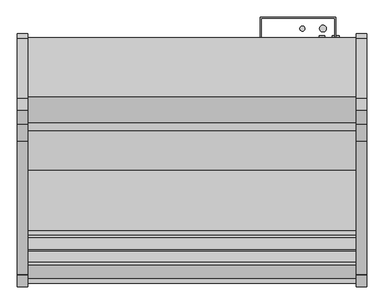
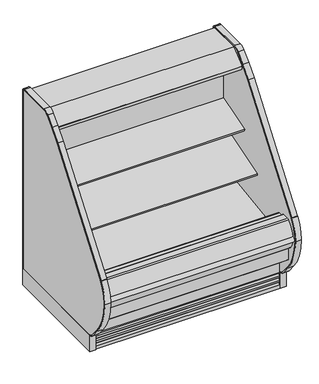
"""IFC4 building model written with IfcOpenShell, lengths in millimetres: proxy geometry."""

from ifc_helpers import new_model, si_unit, point, frame, frame_2d, origin, origin_with_axes, place, context, project, spatial, polyline, circle_curve, trimmed, segment, composite_curve, outline, extrude, source, transform, mapped, element, save
from ifc_brep_helpers import plane_surface, cylinder_surface, revolved_surface, advanced_brep


def mechanical_equipment_59358e2c(model_context):
    return source(origin(), model_context, "Body", "SolidModel", [
        extrude(outline(composite_curve([segment(polyline([(-514.5184043, 1280.7980838), (-504.8108903, 1283.7963787), (-504.5441858, 1282.9328752), (-503.4770145, 1282.9328752), (-503.4770145, 1189.1685435), (-528.7722287, 1185.6157473)]), True, "CONTINUOUS"), segment(trimmed(circle_curve(frame_2d((-528.9121117, 1187.1894225)), 1.57988), [point((-528.7722287, 1185.6157473))], [point((-530.4766164, 1186.9695457))], False, "CARTESIAN"), True, "CONTINUOUS"), segment(polyline([(-530.4766164, 1186.9695457), (-531.3614261, 1193.2652938), (-530.5766584, 1193.3755857), (-529.5822638, 1186.3001005), (-506.0015054, 1189.61416), (-520.0975442, 1289.912687), (-542.8581255, 1286.8903314)]), True, "CONTINUOUS"), segment(trimmed(circle_curve(frame_2d((-542.7544773, 1286.109783)), 0.7874), [point((-542.8581255, 1286.8903314))], [point((-543.5350257, 1286.0061347))], True, "CARTESIAN"), True, "CONTINUOUS"), segment(polyline([(-543.5350257, 1286.0061347), (-542.5119167, 1278.3013646), (-543.2924653, 1278.1977184), (-544.3155741, 1285.9024865)]), True, "CONTINUOUS"), segment(trimmed(circle_curve(frame_2d((-542.7544773, 1286.109783)), 1.5748), [point((-544.3155741, 1285.9024865))], [point((-542.9617738, 1287.6708798))], False, "CARTESIAN"), True, "CONTINUOUS"), segment(polyline([(-542.9617738, 1287.6708798), (-518.9973626, 1290.8530909)]), True, "CONTINUOUS"), segment(trimmed(circle_curve(frame_2d((-518.7900661, 1289.2919941)), 1.5748), [point((-518.9973626, 1290.8530909))], [point((-517.2854014, 1289.7567298))], False, "CARTESIAN"), True, "CONTINUOUS"), segment(polyline([(-517.2854014, 1289.7567298), (-514.5184043, 1280.7980838)]), True, "CONTINUOUS")], self_intersect=False)), frame((0.0, 0.0, 0.0), z_axis=(1.0, 0.0, 0.0), x_axis=(0.0, 1.0, 0.0)), (0.0, 0.0, 1.0), 1219.2),
        extrude(outline(polyline([(-401.5089273, 1362.075), (-401.5089273, 1315.6470648), (-452.3089273, 1315.6470648), (-452.3089273, 1282.9328752), (-504.5441858, 1282.9328752), (-506.6234348, 1289.6648143), (-511.417881, 1288.1839857), (-535.4879211, 1316.8695425), (-642.2562389, 1316.8695425), (-643.0944389, 1316.0313425), (-643.0944389, 1304.9061425), (-643.6525285, 1303.7273324), (-688.2903714, 1267.1513324), (-689.2562818, 1266.8061425), (-700.752905, 1266.8061425), (-700.752905, 1264.8743669), (-715.8669232, 1264.8743669), (-715.8669232, 1283.1433169), (-715.2737617, 1284.3869059), (-619.3369552, 1362.075), (-401.5089273, 1362.075)])), frame((0.0, 0.0, 0.0), z_axis=(1.0, 0.0, 0.0), x_axis=(0.0, 1.0, 0.0)), (0.0, 0.0, 1.0), 1219.2),
        extrude(outline(composite_curve([segment(polyline([(-506.0015054, 1189.61416), (-529.5822638, 1186.3001005), (-530.5766584, 1193.3755857), (-542.5070926, 1278.2650359), (-543.5350257, 1286.0061347)]), True, "CONTINUOUS"), segment(trimmed(circle_curve(frame_2d((-542.7544773, 1286.109783)), 0.7874), [point((-543.5350257, 1286.0061347))], [point((-542.8581255, 1286.8903314))], False, "CARTESIAN"), True, "CONTINUOUS"), segment(polyline([(-542.8581255, 1286.8903314), (-520.0975442, 1289.912687), (-506.0015054, 1189.61416)]), True, "CONTINUOUS")], self_intersect=False)), frame((0.0, 0.0, 0.0), z_axis=(1.0, 0.0, 0.0), x_axis=(0.0, 1.0, 0.0)), (0.0, 0.0, 1.0), 1219.2),
        extrude(outline(composite_curve([segment(trimmed(circle_curve(frame_2d((-586.8315353, 1290.8268376)), 14.2875), [point((-601.1190353, 1290.8268376))], [point((-572.5440353, 1290.8268376))], False, "CARTESIAN"), True, "CONTINUOUS"), segment(trimmed(circle_curve(frame_2d((-586.8315353, 1290.8268376)), 14.2875), [point((-572.5440353, 1290.8268376))], [point((-601.1190353, 1290.8268376))], False, "CARTESIAN"), True, "CONTINUOUS")], self_intersect=False)), frame((0.0, 0.0, 0.0), z_axis=(1.0, 0.0, 0.0), x_axis=(0.0, 1.0, 0.0)), (0.0, 0.0, 1.0), 1219.2),
        extrude(outline(composite_curve([segment(trimmed(circle_curve(frame_2d((-624.2203353, 1290.8268376)), 14.2875), [point((-638.5078353, 1290.8268376))], [point((-609.9328353, 1290.8268376))], False, "CARTESIAN"), True, "CONTINUOUS"), segment(trimmed(circle_curve(frame_2d((-624.2203353, 1290.8268376)), 14.2875), [point((-609.9328353, 1290.8268376))], [point((-638.5078353, 1290.8268376))], False, "CARTESIAN"), True, "CONTINUOUS")], self_intersect=False)), frame((0.0, 0.0, 0.0), z_axis=(1.0, 0.0, 0.0), x_axis=(0.0, 1.0, 0.0)), (0.0, 0.0, 1.0), 1219.2),
        extrude(outline(composite_curve([segment(polyline([(-1152.4160029, 116.4176483), (-1152.4160029, 109.8489673)]), True, "CONTINUOUS"), segment(trimmed(circle_curve(frame_2d((-1137.0029315, 171.45)), 63.5), [point((-1152.4160029, 109.8489673))], [point((-1185.6467537, 130.6329868))], False, "CARTESIAN"), True, "CONTINUOUS"), segment(polyline([(-1185.6467537, 130.6329868), (-1235.6359944, 190.2078441)]), True, "CONTINUOUS"), segment(trimmed(circle_curve(frame_2d((-941.4801647, 437.0338923)), 383.9931644), [point((-1235.6359944, 190.2078441))], [point((-1325.4388699, 431.8896718))], False, "CARTESIAN"), True, "CONTINUOUS"), segment(trimmed(circle_curve(frame_2d((-1076.0701893, 427.3006938)), 249.410901), [point((-1325.4388699, 431.8896718))], [point((-1281.6253076, 568.555396))], False, "CARTESIAN"), True, "CONTINUOUS"), segment(trimmed(circle_curve(frame_2d((-1267.5211401, 561.2160445)), 15.8994849), [point((-1281.6253076, 568.555396))], [point((-1280.2425143, 570.7533533))], False, "CARTESIAN"), True, "CONTINUOUS"), segment(polyline([(-1280.2425143, 570.7533533), (-784.9351025, 1231.4209529)]), True, "CONTINUOUS"), segment(trimmed(circle_curve(frame_2d((-245.5130426, 827.0122237)), 674.1828973), [point((-784.9351025, 1231.4209529))], [point((-722.232341, 1303.7315221))], False, "CARTESIAN"), True, "CONTINUOUS"), segment(polyline([(-722.232341, 1303.7315221), (-669.2351533, 1356.7287098)]), True, "CONTINUOUS"), segment(trimmed(circle_curve(frame_2d((-625.6675547, 1313.1611112)), 61.6138888), [point((-669.2351533, 1356.7287098))], [point((-625.6675547, 1374.775))], False, "CARTESIAN"), True, "CONTINUOUS"), segment(polyline([(-625.6675547, 1374.775), (-403.2506698, 1374.775)]), True, "CONTINUOUS"), segment(trimmed(circle_curve(frame_2d((-403.2506698, 1357.1582575)), 17.6167425), [point((-403.2506698, 1374.775))], [point((-385.6339273, 1357.1582575))], False, "CARTESIAN"), True, "CONTINUOUS"), segment(polyline([(-385.6339273, 1357.1582575), (-385.6339273, 114.3), (-391.9839273, 114.3), (-391.9839273, 1357.1582575)]), True, "CONTINUOUS"), segment(trimmed(circle_curve(frame_2d((-403.2506698, 1357.1582575)), 11.2667425), [point((-391.9839273, 1357.1582575))], [point((-403.2506698, 1368.425))], True, "CARTESIAN"), True, "CONTINUOUS"), segment(polyline([(-403.2506698, 1368.425), (-625.6675547, 1368.425)]), True, "CONTINUOUS"), segment(trimmed(circle_curve(frame_2d((-625.6675547, 1313.1611112)), 55.2638888), [point((-625.6675547, 1368.425))], [point((-664.7450253, 1352.2385817))], True, "CARTESIAN"), True, "CONTINUOUS"), segment(polyline([(-664.7450253, 1352.2385817), (-717.7422129, 1299.2413941)]), True, "CONTINUOUS"), segment(trimmed(circle_curve(frame_2d((-245.5130426, 827.0122237)), 667.8328973), [point((-717.7422129, 1299.2413941))], [point((-779.8543891, 1227.6119043))], True, "CARTESIAN"), True, "CONTINUOUS"), segment(polyline([(-779.8543891, 1227.6119043), (-1275.1618009, 566.9443047)]), True, "CONTINUOUS"), segment(trimmed(circle_curve(frame_2d((-1267.5211401, 561.2160445)), 9.5494849), [point((-1275.1618009, 566.9443047))], [point((-1276.1447735, 565.3179477))], True, "CARTESIAN"), True, "CONTINUOUS"), segment(trimmed(circle_curve(frame_2d((-1076.0701893, 427.3006938)), 243.060901), [point((-1276.1447735, 565.3179477))], [point((-1319.0880705, 431.8735543))], True, "CARTESIAN"), True, "CONTINUOUS"), segment(trimmed(circle_curve(frame_2d((-941.4801647, 437.0338923)), 377.6431644), [point((-1319.0880705, 431.8735543))], [point((-1230.7716122, 194.2895454))], True, "CARTESIAN"), True, "CONTINUOUS"), segment(polyline([(-1230.7716122, 194.2895454), (-1180.7823715, 134.7146881)]), True, "CONTINUOUS"), segment(trimmed(circle_curve(frame_2d((-1137.0029315, 171.45)), 57.15), [point((-1180.7823715, 134.7146881))], [point((-1152.4160029, 116.4176483))], True, "CARTESIAN"), True, "CONTINUOUS")], self_intersect=False)), frame((1219.2, 0.0, 0.0), z_axis=(1.0, 0.0, 0.0), x_axis=(0.0, 1.0, 0.0)), (0.0, 0.0, 1.0), 38.1),
        extrude(outline(composite_curve([segment(trimmed(circle_curve(frame_2d((-1137.0029315, 171.45)), 57.15), [point((-1152.4160029, 116.4176483))], [point((-1180.7823715, 134.7146881))], False, "CARTESIAN"), True, "CONTINUOUS"), segment(polyline([(-1180.7823715, 134.7146881), (-1230.7716122, 194.2895454)]), True, "CONTINUOUS"), segment(trimmed(circle_curve(frame_2d((-941.4801647, 437.0338923)), 377.6431644), [point((-1230.7716122, 194.2895454))], [point((-1319.0880705, 431.8735543))], False, "CARTESIAN"), True, "CONTINUOUS"), segment(trimmed(circle_curve(frame_2d((-1076.0701893, 427.3006938)), 243.060901), [point((-1319.0880705, 431.8735543))], [point((-1270.5462172, 573.1008179))], False, "CARTESIAN"), True, "CONTINUOUS"), segment(polyline([(-1270.5462172, 573.1008179), (-779.8543891, 1227.6119043)]), True, "CONTINUOUS"), segment(trimmed(circle_curve(frame_2d((-245.5130426, 827.0122237)), 667.8328973), [point((-779.8543891, 1227.6119043))], [point((-717.7422129, 1299.2413941))], False, "CARTESIAN"), True, "CONTINUOUS"), segment(polyline([(-717.7422129, 1299.2413941), (-664.7450253, 1352.2385817)]), True, "CONTINUOUS"), segment(trimmed(circle_curve(frame_2d((-625.6675547, 1313.1611112)), 55.2638888), [point((-664.7450253, 1352.2385817))], [point((-625.6675547, 1368.425))], False, "CARTESIAN"), True, "CONTINUOUS"), segment(polyline([(-625.6675547, 1368.425), (-403.2506698, 1368.425)]), True, "CONTINUOUS"), segment(trimmed(circle_curve(frame_2d((-403.2506698, 1357.1582575)), 11.2667425), [point((-403.2506698, 1368.425))], [point((-391.9839273, 1357.1582575))], False, "CARTESIAN"), True, "CONTINUOUS"), segment(polyline([(-391.9839273, 1357.1582575), (-391.9839273, 114.3), (-1152.4160029, 114.3), (-1152.4160029, 116.4176483)]), True, "CONTINUOUS")], self_intersect=False)), frame((1219.2, 0.0, 0.0), z_axis=(1.0, 0.0, 0.0), x_axis=(0.0, 1.0, 0.0)), (0.0, 0.0, 1.0), 38.1),
        extrude(outline(polyline([(1257.3, -385.6339273), (1257.3, -1152.4160029), (1219.2, -1152.4160029), (1219.2, -385.6339273), (1257.3, -385.6339273)])), origin_with_axes(), (0.0, 0.0, 1.0), 114.3),
        extrude(outline(composite_curve([segment(trimmed(circle_curve(frame_2d((-1295.6519401, 432.0003811)), 17.0866011), [point((-1296.4879309, 414.9342433))], [point((-1296.7411816, 449.0522282))], False, "CARTESIAN"), True, "CONTINUOUS"), segment(trimmed(circle_curve(frame_2d((-1124.8312387, 403.6702581)), 177.7991891), [point((-1296.7411816, 449.0522282))], [point((-1298.0862131, 443.6110334))], True, "CARTESIAN"), True, "CONTINUOUS"), segment(trimmed(circle_curve(frame_2d((-1171.2742697, 436.2958797)), 127.0227557), [point((-1298.0862131, 443.6110334))], [point((-1296.4879309, 414.9342433))], True, "CARTESIAN"), True, "CONTINUOUS")], self_intersect=False)), frame((0.0, 0.0, 0.0), z_axis=(1.0, 0.0, 0.0), x_axis=(0.0, 1.0, 0.0)), (0.0, 0.0, 1.0), 1219.2),
        extrude(outline(composite_curve([segment(trimmed(circle_curve(frame_2d((1084.8362287, -1007.9339273)), 12.7), [point((1072.1362287, -1007.9339273))], [point((1097.5362287, -1007.9339273))], False, "CARTESIAN"), True, "CONTINUOUS"), segment(trimmed(circle_curve(frame_2d((1084.8362287, -1007.9339273)), 12.7), [point((1097.5362287, -1007.9339273))], [point((1072.1362287, -1007.9339273))], False, "CARTESIAN"), True, "CONTINUOUS")], self_intersect=False)), frame((0.0, 0.0, 68.5310382), z_axis=(0.0, 0.0, 1.0), x_axis=(1.0, 0.0, 0.0)), (0.0, 0.0, 1.0), 52.7807458),
        extrude(outline(composite_curve([segment(trimmed(circle_curve(frame_2d((1034.63831, -1007.9339273)), 9.525), [point((1025.11331, -1007.9339273))], [point((1044.16331, -1007.9339273))], False, "CARTESIAN"), True, "CONTINUOUS"), segment(trimmed(circle_curve(frame_2d((1034.63831, -1007.9339273)), 9.525), [point((1044.16331, -1007.9339273))], [point((1025.11331, -1007.9339273))], False, "CARTESIAN"), True, "CONTINUOUS")], self_intersect=False)), frame((0.0, 0.0, 68.5310382), z_axis=(0.0, 0.0, 1.0), x_axis=(1.0, 0.0, 0.0)), (0.0, 0.0, 1.0), 52.7807458),
        extrude(outline(polyline([(0.0, -385.6339273), (0.0, -1152.4160029), (-38.1, -1152.4160029), (-38.1, -385.6339273), (0.0, -385.6339273)])), origin_with_axes(), (0.0, 0.0, 1.0), 114.3),
        extrude(outline(composite_curve([segment(polyline([(-1152.4160029, 116.4176483), (-1152.4160029, 109.8489673)]), True, "CONTINUOUS"), segment(trimmed(circle_curve(frame_2d((-1137.0029315, 171.45)), 63.5), [point((-1152.4160029, 109.8489673))], [point((-1185.6467537, 130.6329868))], False, "CARTESIAN"), True, "CONTINUOUS"), segment(polyline([(-1185.6467537, 130.6329868), (-1235.6359944, 190.2078441)]), True, "CONTINUOUS"), segment(trimmed(circle_curve(frame_2d((-941.4801647, 437.0338923)), 383.9931644), [point((-1235.6359944, 190.2078441))], [point((-1325.4388699, 431.8896718))], False, "CARTESIAN"), True, "CONTINUOUS"), segment(trimmed(circle_curve(frame_2d((-1076.0701893, 427.3006938)), 249.410901), [point((-1325.4388699, 431.8896718))], [point((-1281.6253076, 568.555396))], False, "CARTESIAN"), True, "CONTINUOUS"), segment(trimmed(circle_curve(frame_2d((-1267.5211401, 561.2160445)), 15.8994849), [point((-1281.6253076, 568.555396))], [point((-1280.2425143, 570.7533533))], False, "CARTESIAN"), True, "CONTINUOUS"), segment(polyline([(-1280.2425143, 570.7533533), (-784.9351025, 1231.4209529)]), True, "CONTINUOUS"), segment(trimmed(circle_curve(frame_2d((-245.5130426, 827.0122237)), 674.1828973), [point((-784.9351025, 1231.4209529))], [point((-722.232341, 1303.7315221))], False, "CARTESIAN"), True, "CONTINUOUS"), segment(polyline([(-722.232341, 1303.7315221), (-669.2351533, 1356.7287098)]), True, "CONTINUOUS"), segment(trimmed(circle_curve(frame_2d((-625.6675547, 1313.1611112)), 61.6138888), [point((-669.2351533, 1356.7287098))], [point((-625.6675547, 1374.775))], False, "CARTESIAN"), True, "CONTINUOUS"), segment(polyline([(-625.6675547, 1374.775), (-403.2506698, 1374.775)]), True, "CONTINUOUS"), segment(trimmed(circle_curve(frame_2d((-403.2506698, 1357.1582575)), 17.6167425), [point((-403.2506698, 1374.775))], [point((-385.6339273, 1357.1582575))], False, "CARTESIAN"), True, "CONTINUOUS"), segment(polyline([(-385.6339273, 1357.1582575), (-385.6339273, 114.3), (-391.9839273, 114.3), (-391.9839273, 1357.1582575)]), True, "CONTINUOUS"), segment(trimmed(circle_curve(frame_2d((-403.2506698, 1357.1582575)), 11.2667425), [point((-391.9839273, 1357.1582575))], [point((-403.2506698, 1368.425))], True, "CARTESIAN"), True, "CONTINUOUS"), segment(polyline([(-403.2506698, 1368.425), (-625.6675547, 1368.425)]), True, "CONTINUOUS"), segment(trimmed(circle_curve(frame_2d((-625.6675547, 1313.1611112)), 55.2638888), [point((-625.6675547, 1368.425))], [point((-664.7450253, 1352.2385817))], True, "CARTESIAN"), True, "CONTINUOUS"), segment(polyline([(-664.7450253, 1352.2385817), (-717.7422129, 1299.2413941)]), True, "CONTINUOUS"), segment(trimmed(circle_curve(frame_2d((-245.5130426, 827.0122237)), 667.8328973), [point((-717.7422129, 1299.2413941))], [point((-779.8543891, 1227.6119043))], True, "CARTESIAN"), True, "CONTINUOUS"), segment(polyline([(-779.8543891, 1227.6119043), (-1270.5462172, 573.1008179)]), True, "CONTINUOUS"), segment(trimmed(circle_curve(frame_2d((-1076.0701893, 427.3006938)), 243.060901), [point((-1270.5462172, 573.1008179))], [point((-1319.0880705, 431.8735543))], True, "CARTESIAN"), True, "CONTINUOUS"), segment(trimmed(circle_curve(frame_2d((-941.4801647, 437.0338923)), 377.6431644), [point((-1319.0880705, 431.8735543))], [point((-1230.7716122, 194.2895454))], True, "CARTESIAN"), True, "CONTINUOUS"), segment(polyline([(-1230.7716122, 194.2895454), (-1180.7823715, 134.7146881)]), True, "CONTINUOUS"), segment(trimmed(circle_curve(frame_2d((-1137.0029315, 171.45)), 57.15), [point((-1180.7823715, 134.7146881))], [point((-1152.4160029, 116.4176483))], True, "CARTESIAN"), True, "CONTINUOUS")], self_intersect=False)), frame((-38.1, 0.0, 0.0), z_axis=(1.0, 0.0, 0.0), x_axis=(0.0, 1.0, 0.0)), (0.0, 0.0, 1.0), 38.1),
        extrude(outline(composite_curve([segment(trimmed(circle_curve(frame_2d((-1137.0029315, 171.45)), 57.15), [point((-1152.4160029, 116.4176483))], [point((-1180.7823715, 134.7146881))], False, "CARTESIAN"), True, "CONTINUOUS"), segment(polyline([(-1180.7823715, 134.7146881), (-1230.7716122, 194.2895454)]), True, "CONTINUOUS"), segment(trimmed(circle_curve(frame_2d((-941.4801647, 437.0338923)), 377.6431644), [point((-1230.7716122, 194.2895454))], [point((-1319.0880705, 431.8735543))], False, "CARTESIAN"), True, "CONTINUOUS"), segment(trimmed(circle_curve(frame_2d((-1076.0701893, 427.3006938)), 243.060901), [point((-1319.0880705, 431.8735543))], [point((-1270.5462172, 573.1008179))], False, "CARTESIAN"), True, "CONTINUOUS"), segment(polyline([(-1270.5462172, 573.1008179), (-779.8543891, 1227.6119043)]), True, "CONTINUOUS"), segment(trimmed(circle_curve(frame_2d((-245.5130426, 827.0122237)), 667.8328973), [point((-779.8543891, 1227.6119043))], [point((-717.7422129, 1299.2413941))], False, "CARTESIAN"), True, "CONTINUOUS"), segment(polyline([(-717.7422129, 1299.2413941), (-664.7450253, 1352.2385817)]), True, "CONTINUOUS"), segment(trimmed(circle_curve(frame_2d((-625.6675547, 1313.1611112)), 55.2638888), [point((-664.7450253, 1352.2385817))], [point((-625.6675547, 1368.425))], False, "CARTESIAN"), True, "CONTINUOUS"), segment(polyline([(-625.6675547, 1368.425), (-403.2506698, 1368.425)]), True, "CONTINUOUS"), segment(trimmed(circle_curve(frame_2d((-403.2506698, 1357.1582575)), 11.2667425), [point((-403.2506698, 1368.425))], [point((-391.9839273, 1357.1582575))], False, "CARTESIAN"), True, "CONTINUOUS"), segment(polyline([(-391.9839273, 1357.1582575), (-391.9839273, 114.3), (-1152.4160029, 114.3), (-1152.4160029, 116.4176483)]), True, "CONTINUOUS")], self_intersect=False)), frame((-38.1, 0.0, 0.0), z_axis=(1.0, 0.0, 0.0), x_axis=(0.0, 1.0, 0.0)), (0.0, 0.0, 1.0), 38.1),
        extrude(outline(polyline([(1139.825, -401.5089273), (1139.825, -328.4839273), (866.775, -328.4839273), (866.775, -401.5089273), (863.6, -401.5089273), (863.6, -325.3089273), (1143.0, -325.3089273), (1143.0, -401.5089273), (1139.825, -401.5089273)])), frame((0.0, 0.0, 522.6122796), z_axis=(0.0, 0.0, 1.0), x_axis=(1.0, 0.0, 0.0)), (0.0, 0.0, 1.0), 710.3489092),
        advanced_brep(
        [(0.0, -401.5089273, 1315.6470648), (0.0, -401.5089273, 130.175), (0.0, -1092.9329421, 130.175), (0.0, -1242.6779256, 255.8259604), (0.0, -1242.6779256, 390.4771975), (0.0, -1191.6695874, 390.4771975), (0.0, -1191.6695874, 280.6965658), (0.0, -1081.6882807, 188.4112919), (0.0, -1075.5167374, 188.6268069), (0.0, -1036.8125365, 160.6272219), (0.0, -1035.5745571, 160.670453), (0.0, -1022.2030531, 151.6562137), (0.0, -961.9148015, 153.7615258), (0.0, -949.2046713, 163.6865559), (0.0, -947.966692, 163.7297871), (0.0, -911.2586215, 194.4039054), (0.0, -452.3089273, 210.4307819), (0.0, -452.3089273, 1315.6470648), (1219.2, -401.5089273, 1315.6470648), (1219.2, -452.3089273, 1315.6470648), (1219.2, -452.3089273, 210.4307819), (1219.2, -911.2586215, 194.4039054), (1219.2, -947.966692, 163.7297871), (1219.2, -949.2046713, 163.6865559), (1219.2, -961.9148015, 153.7615258), (1219.2, -1022.2030531, 151.6562137), (1219.2, -1035.5745571, 160.670453), (1219.2, -1036.8125365, 160.6272219), (1219.2, -1075.5167374, 188.6268069), (1219.2, -1081.6882807, 188.4112919), (1219.2, -1191.6695874, 280.6965658), (1219.2, -1191.6695874, 390.4771975), (1219.2, -1242.6779256, 390.4771975), (1219.2, -1242.6779256, 255.8259604), (1219.2, -1092.9329421, 130.175), (1219.2, -401.5089273, 130.175), (1117.6, -401.5089273, 368.3), (1117.6, -401.5089273, 266.7), (1117.6, -446.7209273, 266.7), (1117.6, -446.7209273, 368.3)],
        [
            (0, 1),
            (1, 2),
            (2, 3),
            (3, 4),
            (4, 5),
            (5, 6),
            (6, 7),
            (7, 8),
            (8, 9),
            (9, 10),
            (10, 11),
            (11, 12),
            (12, 13),
            (13, 14),
            (14, 15),
            (15, 16),
            (16, 17),
            (17, 0),
            (18, 19),
            (19, 20),
            (20, 21),
            (21, 22),
            (22, 23),
            (23, 24),
            (24, 25),
            (25, 26),
            (26, 27),
            (27, 28),
            (28, 29),
            (29, 30),
            (30, 31),
            (31, 32),
            (32, 33),
            (33, 34),
            (34, 35),
            (35, 18),
            (17, 19),
            (18, 0),
            (16, 20),
            (1, 35),
            (34, 2),
            (36, 37, circle_curve(frame((1117.6, -401.5089273, 317.5), z_axis=(0.0, -1.0, 0.0), x_axis=(0.0, 0.0, 1.0)), 50.8)),
            (37, 36, circle_curve(frame((1117.6, -401.5089273, 317.5), z_axis=(0.0, -1.0, 0.0), x_axis=(0.0, 0.0, 1.0)), 50.8)),
            (38, 39, circle_curve(frame((1117.6, -446.7209273, 317.5), z_axis=(0.0, 1.0, 0.0), x_axis=(0.0, 0.0, 1.0)), 50.8)),
            (39, 38, circle_curve(frame((1117.6, -446.7209273, 317.5), z_axis=(0.0, 1.0, 0.0), x_axis=(0.0, 0.0, 1.0)), 50.8)),
            (38, 37),
            (36, 39),
            (15, 21),
            (14, 22),
            (13, 23),
            (12, 24),
            (11, 25),
            (10, 26),
            (9, 27),
            (8, 28),
            (7, 29),
            (6, 30),
            (5, 31),
            (4, 32),
            (3, 33),
        ],
        [
            plane_surface(frame((0.0, -452.3089273, 1315.6470648), z_axis=(-1.0, 0.0, 0.0), x_axis=(0.0, 1.0, 0.0))),
            plane_surface(frame((1219.2, -452.3089273, 1315.6470648), z_axis=(1.0, 0.0, 0.0), x_axis=(0.0, -1.0, 0.0))),
            plane_surface(frame((1219.2, -401.5089273, 1315.6470648), z_axis=(0.0, 0.0, 1.0), x_axis=(-1.0, 0.0, 0.0))),
            plane_surface(frame((1219.2, -452.3089273, 1315.6470648), z_axis=(0.0, -1.0, 0.0), x_axis=(-1.0, 0.0, 0.0))),
            plane_surface(frame((1219.2, -1092.9329421, 130.175), z_axis=(0.0, 0.0, -1.0), x_axis=(-1.0, 0.0, 0.0))),
            plane_surface(frame((1219.2, -401.5089273, 130.175), z_axis=(0.0, 1.0, 0.0), x_axis=(-1.0, 0.0, 0.0))),
            plane_surface(frame((1117.6, -446.7209273, 368.3), z_axis=(0.0, 1.0, 0.0), x_axis=(-1.0, 0.0, 0.0))),
            revolved_surface(polyline([(1117.6, -401.5089273, 368.3), (1117.6, -446.7209273, 368.3)]), (1117.6, -446.7209273, 317.5), (0.0, 1.0, 0.0)),
            plane_surface(frame((1219.2, -452.3089273, 210.4307819), z_axis=(0.0, -0.034899496702464096, 0.9993908270190971), x_axis=(-1.0, 0.0, 0.0))),
            plane_surface(frame((1219.2, -911.2586215, 194.4039054), z_axis=(0.0, -0.6412208566386186, 0.7673563794037528), x_axis=(-1.0, 0.0, 0.0))),
            plane_surface(frame((1219.2, -947.966692, 163.7297871), z_axis=(0.0, -0.03489949670032392, 0.9993908270191718), x_axis=(-1.0, 0.0, 0.0))),
            plane_surface(frame((1219.2, -949.2046713, 163.6865559), z_axis=(0.0, -0.6154607629252682, 0.7881675261639793), x_axis=(-1.0, 0.0, 0.0))),
            plane_surface(frame((1219.2, -961.9148015, 153.7615258), z_axis=(0.0, -0.03489949670245096, 0.9993908270190975), x_axis=(-1.0, 0.0, 0.0))),
            plane_surface(frame((1219.2, -1022.2030531, 151.6562137), z_axis=(0.0, 0.5589817440968015, 0.8291799622316606), x_axis=(-1.0, 0.0, 0.0))),
            plane_surface(frame((1219.2, -1035.5745571, 160.670453), z_axis=(0.0, -0.03489949670146529, 0.999390827019132), x_axis=(-1.0, 0.0, 0.0))),
            plane_surface(frame((1219.2, -1036.8125365, 160.6272219), z_axis=(0.0, 0.5861307997256017, 0.810216443682197), x_axis=(-1.0, 0.0, 0.0))),
            plane_surface(frame((1219.2, -1075.5167374, 188.6268069), z_axis=(0.0, -0.034899496703538944, 0.9993908270190596), x_axis=(-1.0, 0.0, 0.0))),
            plane_surface(frame((1219.2, -1081.6882807, 188.4112919), z_axis=(0.0, 0.6427876096870883, 0.7660444431185175), x_axis=(-1.0, 0.0, 0.0))),
            plane_surface(frame((1219.2, -1191.6695874, 280.6965658), z_axis=(0.0, 1.0, 0.0), x_axis=(-1.0, 0.0, 0.0))),
            plane_surface(frame((1219.2, -1191.6695874, 390.4771975), z_axis=(0.0, 0.0, 1.0), x_axis=(-1.0, 0.0, 0.0))),
            plane_surface(frame((1219.2, -1242.6779256, 390.4771975), z_axis=(0.0, -1.0, 0.0), x_axis=(-1.0, 0.0, 0.0))),
            plane_surface(frame((1219.2, -1242.6779256, 255.8259604), z_axis=(0.0, -0.6427876096870784, -0.7660444431185257), x_axis=(-1.0, 0.0, 0.0))),
        ],
        [
            (0, [[1, 2, 3, 4, 5, 6, 7, 8, 9, 10, 11, 12, 13, 14, 15, 16, 17, 18]]),
            (1, [[19, 20, 21, 22, 23, 24, 25, 26, 27, 28, 29, 30, 31, 32, 33, 34, 35, 36]]),
            (2, [[-18, 37, -19, 38]]),
            (3, [[-17, 39, -20, -37]]),
            (4, [[-2, 40, -35, 41]]),
            (5, [[-1, -38, -36, -40], [42, 43]]),
            (6, [[44, 45]]),
            (7, [[-44, 46, -42, 47]]),
            (7, [[-45, -47, -43, -46]]),
            (8, [[-16, 48, -21, -39]]),
            (9, [[-15, 49, -22, -48]]),
            (10, [[-14, 50, -23, -49]]),
            (11, [[-13, 51, -24, -50]]),
            (12, [[-12, 52, -25, -51]]),
            (13, [[-11, 53, -26, -52]]),
            (14, [[-10, 54, -27, -53]]),
            (15, [[-9, 55, -28, -54]]),
            (16, [[-8, 56, -29, -55]]),
            (17, [[-7, 57, -30, -56]]),
            (18, [[-6, 58, -31, -57]]),
            (19, [[-5, 59, -32, -58]]),
            (20, [[-4, 60, -33, -59]]),
            (21, [[-3, -41, -34, -60]]),
        ],
    ),
        extrude(outline(composite_curve([segment(polyline([(-503.4770145, 937.5443045), (-503.4770145, 859.0243135), (-520.8520366, 853.3874898)]), True, "CONTINUOUS"), segment(trimmed(circle_curve(frame_2d((-528.6901714, 877.5478632)), 25.4), [point((-520.8520366, 853.3874898))], [point((-538.1963728, 853.9938373))], False, "CARTESIAN"), True, "CONTINUOUS"), segment(polyline([(-538.1963728, 853.9938373), (-559.4917706, 862.5884758)]), True, "CONTINUOUS"), segment(trimmed(circle_curve(frame_2d((-583.257274, 803.7034111)), 63.5), [point((-559.4917706, 862.5884758))], [point((-594.1259367, 866.2663568))], True, "CARTESIAN"), True, "CONTINUOUS"), segment(polyline([(-594.1259367, 866.2663568), (-683.313755, 863.7788055), (-685.7433991, 866.6337458), (-742.2197274, 849.3671994), (-746.4657163, 863.2552031), (-503.4770145, 937.5443045)]), True, "CONTINUOUS")], self_intersect=False)), frame((0.0, 0.0, 0.0), z_axis=(1.0, 0.0, 0.0), x_axis=(0.0, 1.0, 0.0)), (0.0, 0.0, 1.0), 1219.2),
        extrude(outline(composite_curve([segment(polyline([(-503.4770145, 681.5615222), (-521.9044919, 675.5832597)]), True, "CONTINUOUS"), segment(trimmed(circle_curve(frame_2d((-528.6901714, 700.0600764)), 25.4), [point((-521.9044919, 675.5832597))], [point((-538.1963728, 676.5060505))], False, "CARTESIAN"), True, "CONTINUOUS"), segment(polyline([(-538.1963728, 676.5060505), (-559.4917706, 685.1006891)]), True, "CONTINUOUS"), segment(trimmed(circle_curve(frame_2d((-583.257274, 626.2156243)), 63.5), [point((-559.4917706, 685.1006891))], [point((-594.1259367, 688.77857))], True, "CARTESIAN"), True, "CONTINUOUS"), segment(polyline([(-594.1259367, 688.77857), (-829.0545998, 641.733571), (-831.4842439, 644.5885112), (-887.9605722, 627.3219649), (-892.1192674, 640.9244437), (-503.4770145, 759.7443045), (-503.4770145, 681.5615222)]), True, "CONTINUOUS")], self_intersect=False)), frame((0.0, 0.0, 0.0), z_axis=(1.0, 0.0, 0.0), x_axis=(0.0, 1.0, 0.0)), (0.0, 0.0, 1.0), 1219.2),
        extrude(outline(composite_curve([segment(polyline([(-1234.580957, 539.75), (-1192.162957, 539.75)]), True, "CONTINUOUS"), segment(trimmed(circle_curve(frame_2d((-1192.162957, 536.575)), 3.175), [point((-1192.162957, 539.75))], [point((-1188.987957, 536.575))], False, "CARTESIAN"), True, "CONTINUOUS"), segment(polyline([(-1188.987957, 536.575), (-1188.987957, 522.6122796), (-1191.6695874, 522.6122796), (-1191.6695874, 390.4771975), (-1244.2904909, 390.4771975), (-1244.2904909, 349.7062579), (-1261.7638107, 349.7062579)]), True, "CONTINUOUS"), segment(trimmed(circle_curve(frame_2d((-1261.7638107, 355.8622108)), 6.1559529), [point((-1261.7638107, 349.7062579))], [point((-1266.343409, 351.7484491))], False, "CARTESIAN"), True, "CONTINUOUS"), segment(trimmed(circle_curve(frame_2d((-1171.176313, 436.1498983)), 127.2021258), [point((-1266.343409, 351.7484491))], [point((-1298.1692965, 443.441191))], False, "CARTESIAN"), True, "CONTINUOUS"), segment(trimmed(circle_curve(frame_2d((-1124.5594453, 405.0685499)), 177.8), [point((-1298.1692965, 443.441191))], [point((-1245.3673798, 535.5226912))], False, "CARTESIAN"), True, "CONTINUOUS"), segment(trimmed(circle_curve(frame_2d((-1234.580957, 523.875)), 15.875), [point((-1245.3673798, 535.5226912))], [point((-1234.580957, 539.75))], False, "CARTESIAN"), True, "CONTINUOUS")], self_intersect=False)), frame((0.0, 0.0, 0.0), z_axis=(1.0, 0.0, 0.0), x_axis=(0.0, 1.0, 0.0)), (0.0, 0.0, 1.0), 1219.2),
        extrude(outline(composite_curve([segment(polyline([(-1117.0624519, 150.4220627), (-1117.0624519, 0.0), (-1148.0584493, 0.0), (-1148.0584493, 21.591952)]), True, "CONTINUOUS"), segment(trimmed(circle_curve(frame_2d((-1147.5226258, 35.2873287)), 13.7058546), [point((-1148.0584493, 21.591952))], [point((-1134.4406464, 31.1992648))], True, "CARTESIAN"), True, "CONTINUOUS"), segment(polyline([(-1134.4406464, 31.1992648), (-1131.6258599, 40.2067021), (-1143.5826446, 40.2067021), (-1143.5826446, 52.9067021)]), True, "CONTINUOUS"), segment(trimmed(circle_curve(frame_2d((-1148.0005124, 66.4088493)), 14.2065314), [point((-1143.5826446, 52.9067021))], [point((-1134.4406464, 62.1714479))], True, "CARTESIAN"), True, "CONTINUOUS"), segment(polyline([(-1134.4406464, 62.1714479), (-1131.6258599, 71.1788852), (-1143.5826446, 71.1788852), (-1143.5826446, 83.8788852)]), True, "CONTINUOUS"), segment(trimmed(circle_curve(frame_2d((-1148.0728877, 97.4524489)), 14.2969897), [point((-1143.5826446, 83.8788852))], [point((-1134.4406464, 93.143631))], True, "CARTESIAN"), True, "CONTINUOUS"), segment(polyline([(-1134.4406464, 93.143631), (-1130.9515493, 104.1824391), (-1130.9515493, 107.8329403), (-1143.8191893, 107.8329403), (-1143.8191893, 172.8736313), (-1117.0624519, 150.4220627)]), True, "CONTINUOUS")], self_intersect=False)), frame((0.0, 0.0, 0.0), z_axis=(1.0, 0.0, 0.0), x_axis=(0.0, 1.0, 0.0)), (0.0, 0.0, 1.0), 1219.2),
        extrude(outline(composite_curve([segment(trimmed(circle_curve(frame_2d((1019.175, -366.5839273)), 9.525), [point((1009.65, -366.5839273))], [point((1028.7, -366.5839273))], False, "CARTESIAN"), True, "CONTINUOUS"), segment(trimmed(circle_curve(frame_2d((1019.175, -366.5839273)), 9.525), [point((1028.7, -366.5839273))], [point((1009.65, -366.5839273))], False, "CARTESIAN"), True, "CONTINUOUS")], self_intersect=False)), frame((0.0, 0.0, 1070.4944621), z_axis=(0.0, 0.0, 1.0), x_axis=(1.0, 0.0, 0.0)), (0.0, 0.0, 1.0), 186.3418705),
        extrude(outline(composite_curve([segment(trimmed(circle_curve(frame_2d((1095.375, -366.5839273)), 12.7), [point((1082.675, -366.5839273))], [point((1108.075, -366.5839273))], False, "CARTESIAN"), True, "CONTINUOUS"), segment(trimmed(circle_curve(frame_2d((1095.375, -366.5839273)), 12.7), [point((1108.075, -366.5839273))], [point((1082.675, -366.5839273))], False, "CARTESIAN"), True, "CONTINUOUS")], self_intersect=False)), frame((0.0, 0.0, 1070.4944621), z_axis=(0.0, 0.0, 1.0), x_axis=(1.0, 0.0, 0.0)), (0.0, 0.0, 1.0), 186.3418705),
        extrude(outline(composite_curve([segment(trimmed(circle_curve(frame_2d((317.5, 1143.0)), 12.7), [point((317.5, 1155.7))], [point((317.5, 1130.3))], False, "CARTESIAN"), True, "CONTINUOUS"), segment(trimmed(circle_curve(frame_2d((317.5, 1143.0)), 12.7), [point((317.5, 1130.3))], [point((317.5, 1155.7))], False, "CARTESIAN"), True, "CONTINUOUS")], self_intersect=False)), frame((0.0, -446.7209273, 0.0), z_axis=(0.0, 1.0, 0.0), x_axis=(0.0, 0.0, 1.0)), (0.0, 0.0, 1.0), 52.8518438),
        extrude(outline(composite_curve([segment(trimmed(circle_curve(frame_2d((317.5, 1092.2)), 9.525), [point((317.5, 1101.725))], [point((317.5, 1082.675))], False, "CARTESIAN"), True, "CONTINUOUS"), segment(trimmed(circle_curve(frame_2d((317.5, 1092.2)), 9.525), [point((317.5, 1082.675))], [point((317.5, 1101.725))], False, "CARTESIAN"), True, "CONTINUOUS")], self_intersect=False)), frame((0.0, -446.7209273, 0.0), z_axis=(0.0, 1.0, 0.0), x_axis=(0.0, 0.0, 1.0)), (0.0, 0.0, 1.0), 52.8518438),
        extrude(outline(composite_curve([segment(trimmed(circle_curve(frame_2d((609.6, -988.8839273)), 38.1), [point((571.5, -988.8839273))], [point((647.7, -988.8839273))], False, "CARTESIAN"), True, "CONTINUOUS"), segment(trimmed(circle_curve(frame_2d((609.6, -988.8839273)), 38.1), [point((647.7, -988.8839273))], [point((571.5, -988.8839273))], False, "CARTESIAN"), True, "CONTINUOUS")], self_intersect=False)), frame((0.0, 0.0, 68.5310382), z_axis=(0.0, 0.0, 1.0), x_axis=(1.0, 0.0, 0.0)), (0.0, 0.0, 1.0), 52.7807458),
        advanced_brep(
        [(0.0, -1018.0355073, 16.9113003), (0.0, -1117.0624519, 16.9113003), (0.0, -1117.0624519, 150.4220627), (0.0, -1092.9329421, 130.175), (0.0, -1018.0355073, 130.175), (1219.2, -1018.0355073, 16.9113003), (1219.2, -1018.0355073, 130.175), (1219.2, -1092.9329421, 130.175), (1219.2, -1117.0624519, 150.4220627), (1219.2, -1117.0624519, 16.9113003), (1113.4105208, -1018.0355073, 16.9113003), (1113.4105208, -1018.0355073, 121.311784), (1013.8394792, -1018.0355073, 121.311784), (1013.8394792, -1018.0355073, 16.9113003), (651.2031896, -1018.0355073, 16.9113003), (651.2031896, -1018.0355073, 121.311784), (567.9968104, -1018.0355073, 121.311784), (567.9968104, -1018.0355073, 16.9113003)],
        [
            (0, 1),
            (1, 2),
            (2, 3),
            (3, 4),
            (4, 0),
            (5, 6),
            (6, 7),
            (7, 8),
            (8, 9),
            (9, 5),
            (4, 6),
            (5, 10),
            (10, 11),
            (11, 12),
            (12, 13),
            (13, 14),
            (14, 15),
            (15, 16),
            (16, 17),
            (17, 0),
            (3, 7),
            (17, 14, circle_curve(frame((609.6, -988.8839273, 16.9113003), z_axis=(0.0, 0.0, 1.0), x_axis=(1.0, 0.0, 0.0)), 50.8)),
            (13, 10, circle_curve(frame((1063.625, -1007.9339273, 16.9113003), z_axis=(0.0, 0.0, 1.0), x_axis=(1.0, 0.0, 0.0)), 50.8)),
            (9, 1),
            (15, 16, circle_curve(frame((609.6, -988.8839273, 121.311784), z_axis=(0.0, 0.0, -1.0), x_axis=(1.0, 0.0, 0.0)), 50.8)),
            (8, 2),
            (11, 12, circle_curve(frame((1063.625, -1007.9339273, 121.311784), z_axis=(0.0, 0.0, -1.0), x_axis=(1.0, 0.0, 0.0)), 50.8)),
        ],
        [
            plane_surface(frame((0.0, -1018.0355073, 130.175), z_axis=(-1.0, 0.0, 0.0), x_axis=(0.0, 0.0, -1.0))),
            plane_surface(frame((1219.2, -1018.0355073, 130.175), z_axis=(1.0, 0.0, 0.0), x_axis=(0.0, 0.0, 1.0))),
            plane_surface(frame((1219.2, -1018.0355073, 16.9113003), z_axis=(0.0, 1.0, 0.0), x_axis=(-1.0, 0.0, 0.0))),
            plane_surface(frame((1219.2, -1018.0355073, 130.175), z_axis=(0.0, 0.0, 1.0), x_axis=(-1.0, 0.0, 0.0))),
            plane_surface(frame((1219.2, -1117.0624519, 16.9113003), z_axis=(0.0, 0.0, -1.0), x_axis=(-1.0, 0.0, 0.0))),
            plane_surface(frame((660.4, -988.8839273, 121.311784), z_axis=(0.0, 0.0, -1.0), x_axis=(0.0, 1.0, 0.0))),
            revolved_surface(polyline([(660.4, -988.8839273, 121.311784), (660.4, -988.8839273, 16.9113003)]), (609.6, -988.8839273, 0.0), (0.0, 0.0, 1.0)),
            plane_surface(frame((1219.2, -1117.0624519, 150.4220627), z_axis=(0.0, -1.0, 0.0), x_axis=(-1.0, 0.0, 0.0))),
            plane_surface(frame((1219.2, -1092.9329421, 130.175), z_axis=(0.0, 0.6427876096870792, 0.766044443118525), x_axis=(-1.0, 0.0, 0.0))),
            plane_surface(frame((1114.425, -1007.9339273, 121.311784), z_axis=(0.0, 0.0, -1.0), x_axis=(0.0, 1.0, 0.0))),
            revolved_surface(polyline([(1114.425, -1007.9339273, 121.311784), (1114.425, -1007.9339273, 16.9113003)]), (1063.625, -1007.9339273, 0.0), (0.0, 0.0, 1.0)),
        ],
        [
            (0, [[1, 2, 3, 4, 5]]),
            (1, [[6, 7, 8, 9, 10]]),
            (2, [[-5, 11, -6, 12, 13, 14, 15, 16, 17, 18, 19, 20]]),
            (3, [[-4, 21, -7, -11]]),
            (4, [[-1, -20, 22, -16, 23, -12, -10, 24]]),
            (5, [[25, -18]]),
            (6, [[-25, -17, -22, -19]]),
            (7, [[-2, -24, -9, 26]]),
            (8, [[-3, -26, -8, -21]]),
            (9, [[27, -14]]),
            (10, [[-27, -13, -23, -15]]),
        ],
    ),
        advanced_brep(
        [(0.0, -401.5089273, 130.175), (0.0, -401.5089273, 0.0), (0.0, -446.7209273, 0.0), (0.0, -446.7209273, 74.8810382), (0.0, -972.7046625, 74.8810382), (0.0, -972.7046625, 0.0), (0.0, -1018.0355073, 0.0), (0.0, -1018.0355073, 130.175), (1219.2, -401.5089273, 130.175), (1219.2, -1018.0355073, 130.175), (1219.2, -1018.0355073, 0.0), (1219.2, -972.7046625, 0.0), (1219.2, -972.7046625, 74.8810382), (1219.2, -446.7209273, 74.8810382), (1219.2, -446.7209273, 0.0), (1219.2, -401.5089273, 0.0), (567.9968104, -1018.0355073, 0.0), (567.9968104, -1018.0355073, 121.311784), (651.2031896, -1018.0355073, 121.311784), (651.2031896, -1018.0355073, 0.0), (1013.8394792, -1018.0355073, 0.0), (1013.8394792, -1018.0355073, 121.311784), (1113.4105208, -1018.0355073, 121.311784), (1113.4105208, -1018.0355073, 0.0), (561.4453388, -972.7046625, 0.0), (558.8, -988.8839273, 0.0), (1114.425, -1007.9339273, 0.0), (1100.2247118, -972.7046625, 0.0), (660.4, -988.8839273, 0.0), (657.7546612, -972.7046625, 0.0), (1027.0252882, -972.7046625, 0.0), (1012.825, -1007.9339273, 0.0), (561.4453388, -972.7046625, 74.8810382), (1100.2247118, -972.7046625, 74.8810382), (657.7546612, -972.7046625, 74.8810382), (1027.0252882, -972.7046625, 74.8810382), (558.8, -988.8839273, 121.311784), (660.4, -988.8839273, 121.311784), (1012.825, -1007.9339273, 121.311784), (1114.425, -1007.9339273, 121.311784)],
        [
            (0, 1),
            (1, 2),
            (2, 3),
            (3, 4),
            (4, 5),
            (5, 6),
            (6, 7),
            (7, 0),
            (8, 9),
            (9, 10),
            (10, 11),
            (11, 12),
            (12, 13),
            (13, 14),
            (14, 15),
            (15, 8),
            (7, 9),
            (8, 0),
            (6, 16),
            (16, 17),
            (17, 18),
            (18, 19),
            (19, 20),
            (20, 21),
            (21, 22),
            (22, 23),
            (23, 10),
            (5, 24),
            (24, 25, circle_curve(frame((609.6, -988.8839273, 0.0), z_axis=(0.0, 0.0, 1.0), x_axis=(1.0, 0.0, 0.0)), 50.8)),
            (25, 16, circle_curve(frame((609.6, -988.8839273, 0.0), z_axis=(0.0, 0.0, 1.0), x_axis=(1.0, 0.0, 0.0)), 50.8)),
            (23, 26, circle_curve(frame((1063.625, -1007.9339273, 0.0), z_axis=(0.0, 0.0, 1.0), x_axis=(1.0, 0.0, 0.0)), 50.8)),
            (26, 27, circle_curve(frame((1063.625, -1007.9339273, 0.0), z_axis=(0.0, 0.0, 1.0), x_axis=(1.0, 0.0, 0.0)), 50.8)),
            (27, 11),
            (19, 28, circle_curve(frame((609.6, -988.8839273, 0.0), z_axis=(0.0, 0.0, 1.0), x_axis=(1.0, 0.0, 0.0)), 50.8)),
            (28, 29, circle_curve(frame((609.6, -988.8839273, 0.0), z_axis=(0.0, 0.0, 1.0), x_axis=(1.0, 0.0, 0.0)), 50.8)),
            (29, 30),
            (30, 31, circle_curve(frame((1063.625, -1007.9339273, 0.0), z_axis=(0.0, 0.0, 1.0), x_axis=(1.0, 0.0, 0.0)), 50.8)),
            (31, 20, circle_curve(frame((1063.625, -1007.9339273, 0.0), z_axis=(0.0, 0.0, 1.0), x_axis=(1.0, 0.0, 0.0)), 50.8)),
            (4, 32),
            (32, 24),
            (27, 33),
            (33, 12),
            (29, 34),
            (34, 35),
            (35, 30),
            (3, 13),
            (33, 35, circle_curve(frame((1063.625, -1007.9339273, 74.8810382), z_axis=(0.0, 0.0, 1.0), x_axis=(1.0, 0.0, 0.0)), 50.8)),
            (34, 32, circle_curve(frame((609.6, -988.8839273, 74.8810382), z_axis=(0.0, 0.0, 1.0), x_axis=(1.0, 0.0, 0.0)), 50.8)),
            (2, 14),
            (1, 15),
            (36, 37, circle_curve(frame((609.6, -988.8839273, 121.311784), z_axis=(0.0, 0.0, -1.0), x_axis=(1.0, 0.0, 0.0)), 50.8)),
            (37, 18, circle_curve(frame((609.6, -988.8839273, 121.311784), z_axis=(0.0, 0.0, -1.0), x_axis=(1.0, 0.0, 0.0)), 50.8)),
            (17, 36, circle_curve(frame((609.6, -988.8839273, 121.311784), z_axis=(0.0, 0.0, -1.0), x_axis=(1.0, 0.0, 0.0)), 50.8)),
            (37, 28),
            (25, 36),
            (38, 39, circle_curve(frame((1063.625, -1007.9339273, 121.311784), z_axis=(0.0, 0.0, -1.0), x_axis=(1.0, 0.0, 0.0)), 50.8)),
            (39, 22, circle_curve(frame((1063.625, -1007.9339273, 121.311784), z_axis=(0.0, 0.0, -1.0), x_axis=(1.0, 0.0, 0.0)), 50.8)),
            (21, 38, circle_curve(frame((1063.625, -1007.9339273, 121.311784), z_axis=(0.0, 0.0, -1.0), x_axis=(1.0, 0.0, 0.0)), 50.8)),
            (39, 26),
            (31, 38),
        ],
        [
            plane_surface(frame((0.0, -1205.8783654, 130.175), z_axis=(-1.0, 0.0, 0.0), x_axis=(0.0, 1.0, 0.0))),
            plane_surface(frame((1219.2, -1205.8783654, 130.175), z_axis=(1.0, 0.0, 0.0), x_axis=(0.0, -1.0, 0.0))),
            plane_surface(frame((1219.2, -401.5089273, 130.175), z_axis=(0.0, 0.0, 1.0), x_axis=(-1.0, 0.0, 0.0))),
            plane_surface(frame((1219.2, -1018.0355073, 130.175), z_axis=(0.0, -1.0, 0.0), x_axis=(-1.0, 0.0, 0.0))),
            plane_surface(frame((1219.2, -1018.0355073, 0.0), z_axis=(0.0, 0.0, -1.0), x_axis=(-1.0, 0.0, 0.0))),
            plane_surface(frame((1219.2, -972.7046625, 0.0), z_axis=(0.0, 1.0, 0.0), x_axis=(-1.0, 0.0, 0.0))),
            plane_surface(frame((1219.2, -972.7046625, 74.8810382), z_axis=(0.0, 0.0, -1.0), x_axis=(-1.0, 0.0, 0.0))),
            plane_surface(frame((1219.2, -446.7209273, 74.8810382), z_axis=(0.0, -1.0, 0.0), x_axis=(-1.0, 0.0, 0.0))),
            plane_surface(frame((1219.2, -446.7209273, 0.0), z_axis=(0.0, 0.0, -1.0), x_axis=(-1.0, 0.0, 0.0))),
            plane_surface(frame((1219.2, -401.5089273, 0.0), z_axis=(0.0, 1.0, 0.0), x_axis=(-1.0, 0.0, 0.0))),
            plane_surface(frame((660.4, -988.8839273, 121.311784), z_axis=(0.0, 0.0, -1.0), x_axis=(0.0, 1.0, 0.0))),
            revolved_surface(polyline([(660.4, -988.8839273, 121.311784), (660.4, -988.8839273, 0.0)]), (609.6, -988.8839273, 0.0), (0.0, 0.0, 1.0)),
            plane_surface(frame((1114.425, -1007.9339273, 121.311784), z_axis=(0.0, 0.0, -1.0), x_axis=(0.0, 1.0, 0.0))),
            revolved_surface(polyline([(1114.425, -1007.9339273, 121.311784), (1114.425, -1007.9339273, 0.0)]), (1063.625, -1007.9339273, 0.0), (0.0, 0.0, 1.0)),
        ],
        [
            (0, [[1, 2, 3, 4, 5, 6, 7, 8]]),
            (1, [[9, 10, 11, 12, 13, 14, 15, 16]]),
            (2, [[-8, 17, -9, 18]]),
            (3, [[-7, 19, 20, 21, 22, 23, 24, 25, 26, 27, -10, -17]]),
            (4, [[-6, 28, 29, 30, -19]]),
            (4, [[-11, -27, 31, 32, 33]]),
            (4, [[34, 35, 36, 37, 38, -23]]),
            (5, [[-5, 39, 40, -28]]),
            (5, [[-12, -33, 41, 42]]),
            (5, [[43, 44, 45, -36]]),
            (6, [[-4, 46, -13, -42, 47, -44, 48, -39]]),
            (7, [[-3, 49, -14, -46]]),
            (8, [[-2, 50, -15, -49]]),
            (9, [[-1, -18, -16, -50]]),
            (10, [[51, 52, -21, 53]]),
            (11, [[54, -34, -22, -52]]),
            (11, [[55, -53, -20, -30]]),
            (11, [[-51, -55, -29, -40, -48, -43, -35, -54]]),
            (12, [[56, 57, -25, 58]]),
            (13, [[59, -31, -26, -57]]),
            (13, [[60, -58, -24, -38]]),
            (13, [[-56, -60, -37, -45, -47, -41, -32, -59]]),
        ],
    ),
        extrude(outline(polyline([(688.975, -552.9627532), (688.975, -932.4775263), (180.975, -932.4775263), (180.975, -552.9627532), (688.975, -552.9627532)])), frame((0.0, 0.0, 68.5310382), z_axis=(0.0, 0.0, 1.0), x_axis=(1.0, 0.0, 0.0)), (0.0, 0.0, 1.0), 6.35),
        extrude(outline(polyline([(1219.2, -452.3089273), (1219.2, -503.4770145), (0.0, -503.4770145), (0.0, -452.3089273), (1219.2, -452.3089273)])), frame((0.0, 0.0, 415.8429537), z_axis=(0.0, 0.0, 1.0), x_axis=(1.0, 0.0, 0.0)), (0.0, 0.0, 1.0), 867.0899215),
        advanced_brep(
        [(0.0, -503.4770145, 415.8429537), (0.0, -452.3089273, 415.8429537), (0.0, -452.3089273, 210.4307819), (0.0, -911.2586215, 194.4039054), (0.0, -947.966692, 163.7297871), (0.0, -949.2046713, 163.6865559), (0.0, -961.9148015, 153.7615258), (0.0, -1022.2030531, 151.6562137), (0.0, -1035.5745571, 160.670453), (0.0, -1036.8125365, 160.6272219), (0.0, -1075.5167374, 188.6268069), (0.0, -1081.6882807, 188.4112919), (0.0, -1191.6695874, 280.6965658), (0.0, -1191.6695874, 390.4771975), (0.0, -1191.6695874, 522.6122796), (0.0, -1143.2268145, 522.6122796), (0.0, -1135.3020145, 514.6874796), (0.0, -1135.3020145, 377.7429537), (0.0, -1117.2993145, 377.7429537), (0.0, -594.8547877, 450.4013198), (0.0, -515.2911073, 458.1248825), (0.0, -503.4770145, 470.7939459), (1219.2, -503.4770145, 415.8429537), (1219.2, -503.4770145, 470.7939459), (1219.2, -515.2911073, 458.1248825), (1219.2, -594.8547877, 450.4013198), (1219.2, -1117.2993145, 377.7429537), (1219.2, -1135.3020145, 377.7429537), (1219.2, -1135.3020145, 514.6874796), (1219.2, -1143.2268145, 522.6122796), (1219.2, -1191.6695874, 522.6122796), (1219.2, -1191.6695874, 390.4771975), (1219.2, -1191.6695874, 280.6965658), (1219.2, -1081.6882807, 188.4112919), (1219.2, -1075.5167374, 188.6268069), (1219.2, -1036.8125365, 160.6272219), (1219.2, -1035.5745571, 160.670453), (1219.2, -1022.2030531, 151.6562137), (1219.2, -961.9148015, 153.7615258), (1219.2, -949.2046713, 163.6865559), (1219.2, -947.966692, 163.7297871), (1219.2, -911.2586215, 194.4039054), (1219.2, -452.3089273, 210.4307819), (1219.2, -452.3089273, 415.8429537)],
        [
            (0, 1),
            (1, 2),
            (2, 3),
            (3, 4),
            (4, 5),
            (5, 6),
            (6, 7),
            (7, 8),
            (8, 9),
            (9, 10),
            (10, 11),
            (11, 12),
            (12, 13),
            (13, 14),
            (14, 15),
            (15, 16, circle_curve(frame((0.0, -1143.2268145, 514.6874796), z_axis=(-1.0, 0.0, 0.0), x_axis=(0.0, 1.0, 0.0)), 7.9248)),
            (16, 17),
            (17, 18),
            (18, 19),
            (19, 20),
            (20, 21, circle_curve(frame((0.0, -516.1770145, 470.7939459), z_axis=(1.0, 0.0, 0.0), x_axis=(0.0, 1.0, 0.0)), 12.7)),
            (21, 0),
            (22, 23),
            (23, 24, circle_curve(frame((1219.2, -516.1770145, 470.7939459), z_axis=(-1.0, 0.0, 0.0), x_axis=(0.0, 1.0, 0.0)), 12.7)),
            (24, 25),
            (25, 26),
            (26, 27),
            (27, 28),
            (28, 29, circle_curve(frame((1219.2, -1143.2268145, 514.6874796), z_axis=(1.0, 0.0, 0.0), x_axis=(0.0, 1.0, 0.0)), 7.9248)),
            (29, 30),
            (30, 31),
            (31, 32),
            (32, 33),
            (33, 34),
            (34, 35),
            (35, 36),
            (36, 37),
            (37, 38),
            (38, 39),
            (39, 40),
            (40, 41),
            (41, 42),
            (42, 43),
            (43, 22),
            (42, 2),
            (1, 43),
            (0, 22),
            (21, 23),
            (20, 24),
            (19, 25),
            (18, 26),
            (17, 27),
            (16, 28),
            (15, 29),
            (14, 30),
            (13, 31),
            (12, 32),
            (11, 33),
            (10, 34),
            (9, 35),
            (8, 36),
            (7, 37),
            (6, 38),
            (5, 39),
            (4, 40),
            (3, 41),
        ],
        [
            plane_surface(frame((0.0, -503.4770145, 1092.9956953), z_axis=(-1.0, 0.0, 0.0), x_axis=(0.0, 0.0, -1.0))),
            plane_surface(frame((1219.2, -503.4770145, 1092.9956953), z_axis=(1.0, 0.0, 0.0), x_axis=(0.0, 0.0, 1.0))),
            plane_surface(frame((1219.2, -452.3089273, 210.4307819), z_axis=(0.0, 1.0, 0.0), x_axis=(-1.0, 0.0, 0.0))),
            plane_surface(frame((1219.2, -452.3089273, 415.8429537), z_axis=(0.0, 0.0, 1.0), x_axis=(-1.0, 0.0, 0.0))),
            plane_surface(frame((1219.2, -503.4770145, 415.8429537), z_axis=(0.0, 1.0, 0.0), x_axis=(-1.0, 0.0, 0.0))),
            revolved_surface(polyline([(0.0, -503.47701450000005, 470.7939459), (1219.2, -503.47701450000005, 470.7939459)]), (0.0, -516.1770145, 470.7939459), (-1.0, 0.0, 0.0)),
            plane_surface(frame((1219.2, -515.2911073, 458.1248825), z_axis=(0.0, -0.09661980044750253, 0.9953213622551688), x_axis=(-1.0, 0.0, 0.0))),
            plane_surface(frame((1219.2, -594.8547877, 450.4013198), z_axis=(0.0, -0.13774808941565955, 0.9904672957055853), x_axis=(-1.0, 0.0, 0.0))),
            plane_surface(frame((1219.2, -1117.2993145, 377.7429537), z_axis=(0.0, 0.0, 1.0), x_axis=(-1.0, 0.0, 0.0))),
            plane_surface(frame((1219.2, -1135.3020145, 377.7429537), z_axis=(0.0, 1.0, 0.0), x_axis=(-1.0, 0.0, 0.0))),
            cylinder_surface(frame((0.0, -1143.2268145, 514.6874796), z_axis=(1.0, 0.0, 0.0), x_axis=(0.0, 1.0, 0.0)), 7.9248),
            plane_surface(frame((1219.2, -1143.2268145, 522.6122796), z_axis=(0.0, 0.0, 1.0), x_axis=(-1.0, 0.0, 0.0))),
            plane_surface(frame((1219.2, -1191.6695874, 522.6122796), z_axis=(0.0, -1.0, 0.0), x_axis=(-1.0, 0.0, 0.0))),
            plane_surface(frame((1219.2, -1191.6695874, 390.4771975), z_axis=(0.0, -1.0, 0.0), x_axis=(-1.0, 0.0, 0.0))),
            plane_surface(frame((1219.2, -1191.6695874, 280.6965658), z_axis=(0.0, -0.6427876096870885, -0.7660444431185174), x_axis=(-1.0, 0.0, 0.0))),
            plane_surface(frame((1219.2, -1081.6882807, 188.4112919), z_axis=(0.0, 0.03489949670352723, -0.9993908270190599), x_axis=(-1.0, 0.0, 0.0))),
            plane_surface(frame((1219.2, -1075.5167374, 188.6268069), z_axis=(0.0, -0.5861307997256017, -0.810216443682197), x_axis=(-1.0, 0.0, 0.0))),
            plane_surface(frame((1219.2, -1036.8125365, 160.6272219), z_axis=(0.0, 0.03489949670146529, -0.999390827019132), x_axis=(-1.0, 0.0, 0.0))),
            plane_surface(frame((1219.2, -1035.5745571, 160.670453), z_axis=(0.0, -0.5589817440968015, -0.8291799622316606), x_axis=(-1.0, 0.0, 0.0))),
            plane_surface(frame((1219.2, -1022.2030531, 151.6562137), z_axis=(0.0, 0.03489949670245123, -0.9993908270190974), x_axis=(-1.0, 0.0, 0.0))),
            plane_surface(frame((1219.2, -961.9148015, 153.7615258), z_axis=(0.0, 0.6154607629252682, -0.7881675261639793), x_axis=(-1.0, 0.0, 0.0))),
            plane_surface(frame((1219.2, -949.2046713, 163.6865559), z_axis=(0.0, 0.03489949670032392, -0.9993908270191718), x_axis=(-1.0, 0.0, 0.0))),
            plane_surface(frame((1219.2, -947.966692, 163.7297871), z_axis=(0.0, 0.6412208566386186, -0.7673563794037528), x_axis=(-1.0, 0.0, 0.0))),
            plane_surface(frame((1219.2, -911.2586215, 194.4039054), z_axis=(0.0, 0.03489949670246395, -0.9993908270190971), x_axis=(-1.0, 0.0, 0.0))),
        ],
        [
            (0, [[1, 2, 3, 4, 5, 6, 7, 8, 9, 10, 11, 12, 13, 14, 15, 16, 17, 18, 19, 20, 21, 22]]),
            (1, [[23, 24, 25, 26, 27, 28, 29, 30, 31, 32, 33, 34, 35, 36, 37, 38, 39, 40, 41, 42, 43, 44]]),
            (2, [[-43, 45, -2, 46]]),
            (3, [[-44, -46, -1, 47]]),
            (4, [[-23, -47, -22, 48]]),
            (5, [[-24, -48, -21, 49]]),
            (6, [[-25, -49, -20, 50]]),
            (7, [[-26, -50, -19, 51]]),
            (8, [[-27, -51, -18, 52]]),
            (9, [[-28, -52, -17, 53]]),
            (10, [[-29, -53, -16, 54]]),
            (11, [[-30, -54, -15, 55]]),
            (12, [[-31, -55, -14, 56]]),
            (13, [[-32, -56, -13, 57]]),
            (14, [[-33, -57, -12, 58]]),
            (15, [[-34, -58, -11, 59]]),
            (16, [[-35, -59, -10, 60]]),
            (17, [[-36, -60, -9, 61]]),
            (18, [[-37, -61, -8, 62]]),
            (19, [[-38, -62, -7, 63]]),
            (20, [[-39, -63, -6, 64]]),
            (21, [[-40, -64, -5, 65]]),
            (22, [[-41, -65, -4, 66]]),
            (23, [[-42, -66, -3, -45]]),
        ],
    ),
    ])


if __name__ == "__main__":
    model = new_model("IFC4")
    model_context = context("Model", 3, world=origin())
    ifc_project = project(units=[si_unit("LENGTHUNIT", "METRE", prefix="MILLI")], contexts=[model_context])
    site = spatial("IfcSite", under=ifc_project)
    building = spatial("IfcBuilding", under=site)
    placement = place(None, origin())
    mechanical_equipment_shape = mechanical_equipment_59358e2c(model_context)
    element("IfcBuildingElementProxy", 1, Name="Mechanical Equipment", at=placement, inside=building, context=model_context, shape_type="MappedRepresentation", body=[
        mapped(mechanical_equipment_shape, transform((0.0, 0.0, 0.0), x_axis=(1.0, 0.0, 0.0), y_axis=(0.0, 1.0, 0.0), z_axis=(0.0, 0.0, 1.0))),
    ])
    save(model, "model.ifc")
